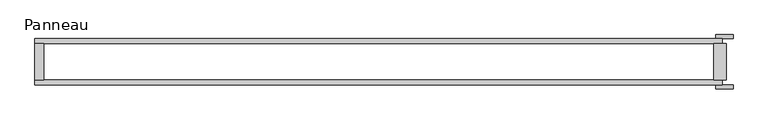
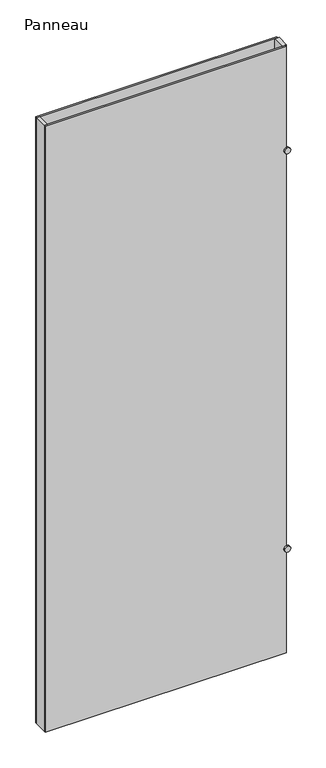
"""IFC4 building model written with IfcOpenShell, lengths in millimetres: plate geometry, Panneau."""

from ifc_helpers import new_model, si_unit, point, frame, frame_2d, origin, origin_with_axes, place, context, project, spatial, polyline, circle_curve, trimmed, segment, composite_curve, outline, extrude, source, transform, mapped, element, save


def panneau_d6451106(model_context):
    return source(origin(), model_context, "Body", "SweptSolid", [
        extrude(outline(composite_curve([segment(trimmed(circle_curve(frame_2d((500.0, 548.1249999)), 14.0), [point((500.0, 534.1249999))], [point((500.0, 562.1249999))], False, "CARTESIAN"), True, "CONTINUOUS"), segment(trimmed(circle_curve(frame_2d((500.0, 548.1249999)), 14.0), [point((500.0, 562.1249999))], [point((500.0, 534.1249999))], False, "CARTESIAN"), True, "CONTINUOUS")], self_intersect=False)), frame((0.0, 37.2, 0.0), z_axis=(0.0, 1.0, 0.0), x_axis=(0.0, 0.0, 1.0)), (0.0, 0.0, 1.0), 6.0),
        extrude(outline(composite_curve([segment(trimmed(circle_curve(frame_2d((2415.0, 548.1249999)), 14.0), [point((2415.0, 534.1249999))], [point((2415.0, 562.1249999))], False, "CARTESIAN"), True, "CONTINUOUS"), segment(trimmed(circle_curve(frame_2d((2415.0, 548.1249999)), 14.0), [point((2415.0, 562.1249999))], [point((2415.0, 534.1249999))], False, "CARTESIAN"), True, "CONTINUOUS")], self_intersect=False)), frame((0.0, 37.2, 0.0), z_axis=(0.0, 1.0, 0.0), x_axis=(0.0, 0.0, 1.0)), (0.0, 0.0, 1.0), 6.0),
        extrude(outline(composite_curve([segment(trimmed(circle_curve(frame_2d((2415.0, 548.1249999)), 14.0), [point((2415.0, 534.1249999))], [point((2415.0, 562.1249999))], False, "CARTESIAN"), True, "CONTINUOUS"), segment(trimmed(circle_curve(frame_2d((2415.0, 548.1249999)), 14.0), [point((2415.0, 562.1249999))], [point((2415.0, 534.1249999))], False, "CARTESIAN"), True, "CONTINUOUS")], self_intersect=False)), frame((0.0, -43.2, 0.0), z_axis=(0.0, 1.0, 0.0), x_axis=(0.0, 0.0, 1.0)), (0.0, 0.0, 1.0), 6.0),
        extrude(outline(composite_curve([segment(trimmed(circle_curve(frame_2d((500.0, 548.1249999)), 14.0), [point((500.0, 534.1249999))], [point((500.0, 562.1249999))], False, "CARTESIAN"), True, "CONTINUOUS"), segment(trimmed(circle_curve(frame_2d((500.0, 548.1249999)), 14.0), [point((500.0, 562.1249999))], [point((500.0, 534.1249999))], False, "CARTESIAN"), True, "CONTINUOUS")], self_intersect=False)), frame((0.0, -43.2, 0.0), z_axis=(0.0, 1.0, 0.0), x_axis=(0.0, 0.0, 1.0)), (0.0, 0.0, 1.0), 6.0),
        extrude(outline(polyline([(-537.1249999, 29.2), (-537.1249999, -29.2), (-551.1249999, -29.2), (-551.1249999, 29.2), (-537.1249999, 29.2)])), origin_with_axes(), (0.0, 0.0, 1.0), 2915.0),
        extrude(outline(polyline([(551.1249999, 29.2), (551.1249999, -29.2), (531.1249999, -29.2), (531.1249999, 29.2), (551.1249999, 29.2)])), origin_with_axes(), (0.0, 0.0, 1.0), 2915.0),
        extrude(outline(polyline([(545.1249999, 29.2), (-551.1249999, 29.2), (-551.1249999, 37.2), (545.1249999, 37.2), (545.1249999, 29.2)])), origin_with_axes(), (0.0, 0.0, 1.0), 2915.0),
        extrude(outline(polyline([(-551.1249999, -37.2), (-551.1249999, -29.2), (545.1249999, -29.2), (545.1249999, -37.2), (-551.1249999, -37.2)])), origin_with_axes(), (0.0, 0.0, 1.0), 2915.0),
    ])


if __name__ == "__main__":
    model = new_model("IFC4")
    model_context = context("Model", 3, world=origin())
    ifc_project = project(units=[si_unit("LENGTHUNIT", "METRE", prefix="MILLI")], contexts=[model_context])
    site = spatial("IfcSite", under=ifc_project)
    building = spatial("IfcBuilding", under=site)
    placement = place(None, origin())
    panneau_shape = panneau_d6451106(model_context)
    element("IfcPlate", 1, ObjectType="Panneau", at=placement, inside=building, context=model_context, shape_type="MappedRepresentation", body=[
        mapped(panneau_shape, transform((0.0, 0.0, 0.0), x_axis=(1.0, 0.0, 0.0), y_axis=(0.0, 1.0, 0.0), z_axis=(0.0, 0.0, 1.0))),
    ])
    save(model, "model.ifc")
